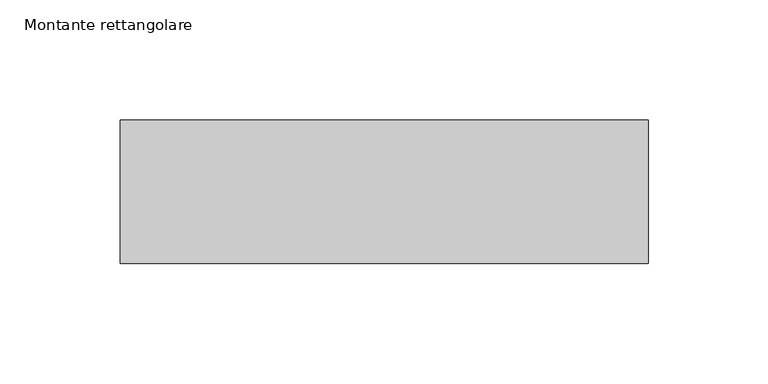
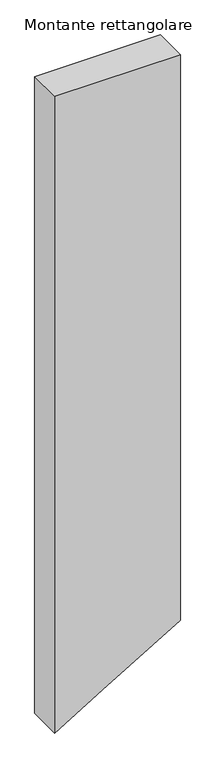
"""IFC4 building model written with IfcOpenShell, lengths in millimetres: member geometry, Montante rettangolare."""

from ifc_helpers import new_model, si_unit, frame, origin, place, context, project, spatial, polyline, outline, extrude, source, transform, mapped, element, save


def montante_rettangolare_6e6091de(model_context):
    return source(origin(), model_context, "Body", "SweptSolid", [
        extrude(outline(polyline([(0.0, 110.0), (0.0, -110.0), (-1177.3829241, -110.0), (-1127.0717041, -25.6021432), (-1046.2366032, 110.0), (0.0, 110.0)])), frame((0.0, -30.0, 0.0), z_axis=(0.0, 1.0, 0.0), x_axis=(0.0, 0.0, 1.0)), (0.0, 0.0, 1.0), 60.0),
    ])


if __name__ == "__main__":
    model = new_model("IFC4")
    model_context = context("Model", 3, world=origin())
    ifc_project = project(units=[si_unit("LENGTHUNIT", "METRE", prefix="MILLI")], contexts=[model_context])
    site = spatial("IfcSite", under=ifc_project)
    building = spatial("IfcBuilding", under=site)
    placement = place(None, origin())
    montante_rettangolare_shape = montante_rettangolare_6e6091de(model_context)
    element("IfcMember", 1, ObjectType="Montante rettangolare", at=placement, inside=building, context=model_context, shape_type="MappedRepresentation", body=[
        mapped(montante_rettangolare_shape, transform((0.0, 0.0, 0.0), x_axis=(1.0, 0.0, 0.0), y_axis=(0.0, 1.0, 0.0), z_axis=(0.0, 0.0, 1.0))),
    ])
    save(model, "model.ifc")
